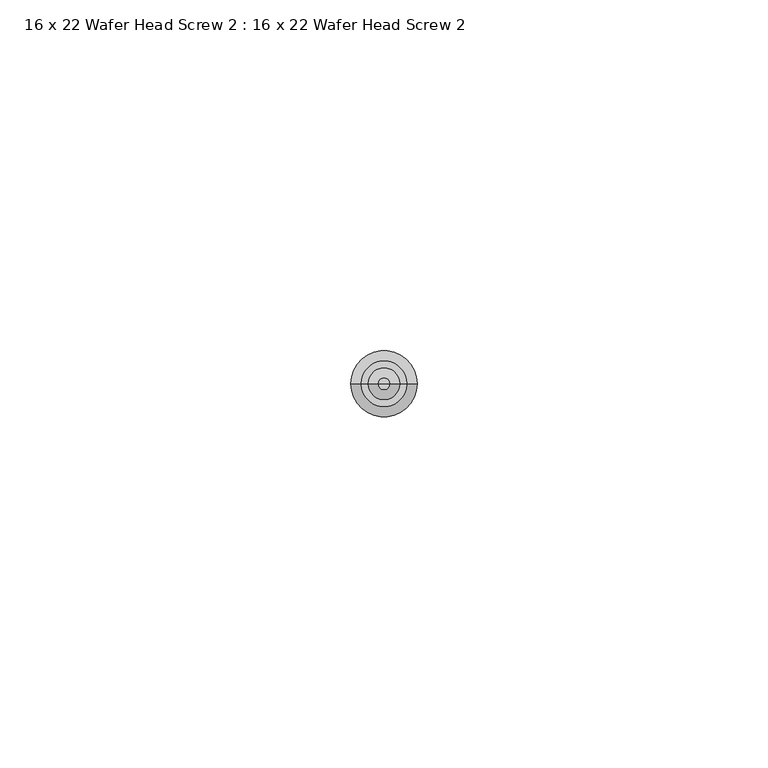
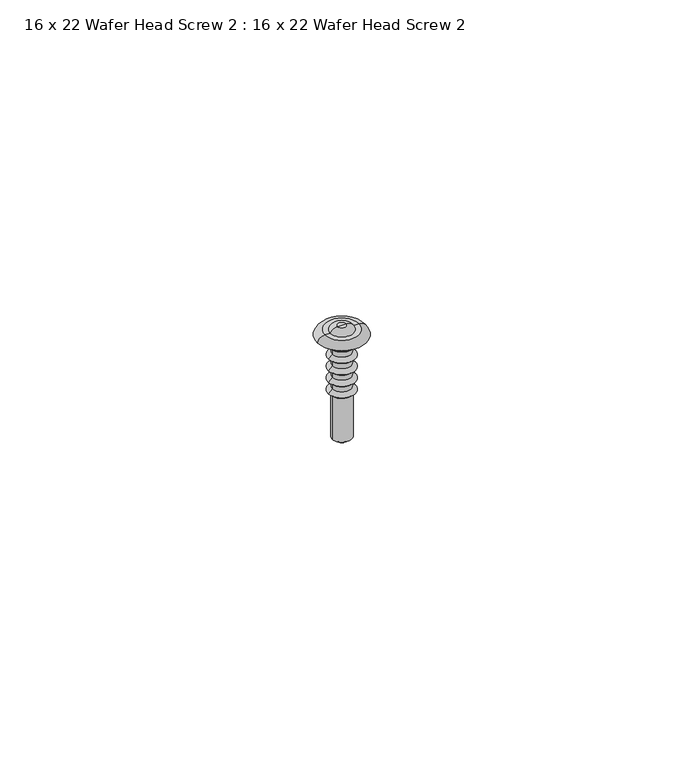
"""IFC4 building model written with IfcOpenShell, lengths in millimetres: proxy geometry, 16 x 22 Wafer Head Screw 2 : 16 x 22 Wafer Head Screw 2."""

from ifc_helpers import new_model, si_unit, point, frame, origin, place, context, project, spatial, polyline, circle_curve, ellipse_curve, trimmed, source, transform, mapped, element, save
from ifc_brep_helpers import plane_surface, cylinder_surface, revolved_surface, advanced_brep


def proxy_16_x_22_wafer_head_screw_2_16_x_22_wafer_head_screw_2_1d6bf214(model_context):
    return source(origin(), model_context, "Body", "AdvancedBrep", [
        advanced_brep(
        [(-1.8554352, 0.0, -11.6700547), (1.8554352, 0.0, -11.6700547), (1.8554352, 0.0, -20.4471271), (-1.8554352, 0.0, -20.4471271), (-2.5766059, 0.0, -11.0431506), (2.5766059, 0.0, -11.0431506), (-1.8554352, 0.0, -10.3219798), (1.8554352, 0.0, -10.3219798), (-1.8554352, 0.0, -9.3360438), (1.8554352, 0.0, -9.3360438), (-2.5766059, 0.0, -8.7091396), (2.5766059, 0.0, -8.7091396), (-1.8554352, 0.0, -7.9879689), (1.8554352, 0.0, -7.9879689), (-1.8554352, 0.0, -7.0020328), (1.8554352, 0.0, -7.0020328), (-2.5766059, 0.0, -6.3751287), (2.5766059, 0.0, -6.3751287), (-1.8554352, 0.0, -5.6539579), (1.8554352, 0.0, -5.6539579), (-1.8554352, 0.0, -4.6680219), (1.8554352, 0.0, -4.6680219), (-2.5766059, 0.0, -4.0411177), (2.5766059, 0.0, -4.0411177), (-1.8554352, 0.0, -3.319947), (1.8554352, 0.0, -3.319947), (-1.8554352, 0.0, -2.3340109), (1.8554352, 0.0, -2.3340109), (-2.5766059, 0.0, -1.7071068), (2.5766059, 0.0, -1.7071068), (-1.8694992, 0.0, -1.0), (1.8694992, 0.0, -1.0), (-1.8694992, 0.0, 0.0), (1.8694992, 0.0, 0.0), (-4.7066403, 0.0, 0.0), (4.7066403, 0.0, 0.0), (-3.2807188, 0.0, 1.0359925), (3.2807188, 0.0, 1.0359925), (-2.2807188, 0.0, 1.0359925), (2.2807188, 0.0, 1.0359925), (-0.8626721, 0.0, 1.8547022), (0.8626721, 0.0, 1.8547022), (0.0, 0.0, 1.8547022), (0.0, 0.0, -21.8452978)],
        [
            (0, 1, circle_curve(frame((0.0, 0.0, -11.6700547), z_axis=(0.0, 0.0, -1.0), x_axis=(1.0, 0.0, 0.0)), 1.8554352)),
            (1, 2),
            (2, 3, circle_curve(frame((0.0, 0.0, -20.4471271), z_axis=(0.0, 0.0, 1.0), x_axis=(1.0, 0.0, 0.0)), 1.8554352)),
            (3, 0),
            (1, 0, circle_curve(frame((0.0, 0.0, -11.6700547), z_axis=(0.0, 0.0, -1.0), x_axis=(1.0, 0.0, 0.0)), 1.8554352)),
            (3, 2, circle_curve(frame((0.0, 0.0, -20.4471271), z_axis=(0.0, 0.0, 1.0), x_axis=(1.0, 0.0, 0.0)), 1.8554352)),
            (4, 5, circle_curve(frame((0.0, 0.0, -11.0431506), z_axis=(0.0, 0.0, -1.0), x_axis=(1.0, 0.0, 0.0)), 2.5766059)),
            (5, 1),
            (0, 4),
            (5, 4, circle_curve(frame((0.0, 0.0, -11.0431506), z_axis=(0.0, 0.0, -1.0), x_axis=(1.0, 0.0, 0.0)), 2.5766059)),
            (6, 7, circle_curve(frame((0.0, 0.0, -10.3219798), z_axis=(0.0, 0.0, -1.0), x_axis=(1.0, 0.0, 0.0)), 1.8554352)),
            (7, 5),
            (4, 6),
            (7, 6, circle_curve(frame((0.0, 0.0, -10.3219798), z_axis=(0.0, 0.0, -1.0), x_axis=(1.0, 0.0, 0.0)), 1.8554352)),
            (8, 9, circle_curve(frame((0.0, 0.0, -9.3360438), z_axis=(0.0, 0.0, -1.0), x_axis=(1.0, 0.0, 0.0)), 1.8554352)),
            (9, 7),
            (6, 8),
            (9, 8, circle_curve(frame((0.0, 0.0, -9.3360438), z_axis=(0.0, 0.0, -1.0), x_axis=(1.0, 0.0, 0.0)), 1.8554352)),
            (10, 11, circle_curve(frame((0.0, 0.0, -8.7091396), z_axis=(0.0, 0.0, -1.0), x_axis=(1.0, 0.0, 0.0)), 2.5766059)),
            (11, 9),
            (8, 10),
            (11, 10, circle_curve(frame((0.0, 0.0, -8.7091396), z_axis=(0.0, 0.0, -1.0), x_axis=(1.0, 0.0, 0.0)), 2.5766059)),
            (12, 13, circle_curve(frame((0.0, 0.0, -7.9879689), z_axis=(0.0, 0.0, -1.0), x_axis=(1.0, 0.0, 0.0)), 1.8554352)),
            (13, 11),
            (10, 12),
            (13, 12, circle_curve(frame((0.0, 0.0, -7.9879689), z_axis=(0.0, 0.0, -1.0), x_axis=(1.0, 0.0, 0.0)), 1.8554352)),
            (14, 15, circle_curve(frame((0.0, 0.0, -7.0020328), z_axis=(0.0, 0.0, -1.0), x_axis=(1.0, 0.0, 0.0)), 1.8554352)),
            (15, 13),
            (12, 14),
            (15, 14, circle_curve(frame((0.0, 0.0, -7.0020328), z_axis=(0.0, 0.0, -1.0), x_axis=(1.0, 0.0, 0.0)), 1.8554352)),
            (16, 17, circle_curve(frame((0.0, 0.0, -6.3751287), z_axis=(0.0, 0.0, -1.0), x_axis=(1.0, 0.0, 0.0)), 2.5766059)),
            (17, 15),
            (14, 16),
            (17, 16, circle_curve(frame((0.0, 0.0, -6.3751287), z_axis=(0.0, 0.0, -1.0), x_axis=(1.0, 0.0, 0.0)), 2.5766059)),
            (18, 19, circle_curve(frame((0.0, 0.0, -5.6539579), z_axis=(0.0, 0.0, -1.0), x_axis=(1.0, 0.0, 0.0)), 1.8554352)),
            (19, 17),
            (16, 18),
            (19, 18, circle_curve(frame((0.0, 0.0, -5.6539579), z_axis=(0.0, 0.0, -1.0), x_axis=(1.0, 0.0, 0.0)), 1.8554352)),
            (20, 21, circle_curve(frame((0.0, 0.0, -4.6680219), z_axis=(0.0, 0.0, -1.0), x_axis=(1.0, 0.0, 0.0)), 1.8554352)),
            (21, 19),
            (18, 20),
            (21, 20, circle_curve(frame((0.0, 0.0, -4.6680219), z_axis=(0.0, 0.0, -1.0), x_axis=(1.0, 0.0, 0.0)), 1.8554352)),
            (22, 23, circle_curve(frame((0.0, 0.0, -4.0411177), z_axis=(0.0, 0.0, -1.0), x_axis=(1.0, 0.0, 0.0)), 2.5766059)),
            (23, 21),
            (20, 22),
            (23, 22, circle_curve(frame((0.0, 0.0, -4.0411177), z_axis=(0.0, 0.0, -1.0), x_axis=(1.0, 0.0, 0.0)), 2.5766059)),
            (24, 25, circle_curve(frame((0.0, 0.0, -3.319947), z_axis=(0.0, 0.0, -1.0), x_axis=(1.0, 0.0, 0.0)), 1.8554352)),
            (25, 23),
            (22, 24),
            (25, 24, circle_curve(frame((0.0, 0.0, -3.319947), z_axis=(0.0, 0.0, -1.0), x_axis=(1.0, 0.0, 0.0)), 1.8554352)),
            (26, 27, circle_curve(frame((0.0, 0.0, -2.3340109), z_axis=(0.0, 0.0, -1.0), x_axis=(1.0, 0.0, 0.0)), 1.8554352)),
            (27, 25),
            (24, 26),
            (27, 26, circle_curve(frame((0.0, 0.0, -2.3340109), z_axis=(0.0, 0.0, -1.0), x_axis=(1.0, 0.0, 0.0)), 1.8554352)),
            (28, 29, circle_curve(frame((0.0, 0.0, -1.7071068), z_axis=(0.0, 0.0, -1.0), x_axis=(1.0, 0.0, 0.0)), 2.5766059)),
            (29, 27),
            (26, 28),
            (29, 28, circle_curve(frame((0.0, 0.0, -1.7071068), z_axis=(0.0, 0.0, -1.0), x_axis=(1.0, 0.0, 0.0)), 2.5766059)),
            (30, 31, circle_curve(frame((0.0, 0.0, -1.0), z_axis=(0.0, 0.0, -1.0), x_axis=(1.0, 0.0, 0.0)), 1.8694992)),
            (31, 29),
            (28, 30),
            (31, 30, circle_curve(frame((0.0, 0.0, -1.0), z_axis=(0.0, 0.0, -1.0), x_axis=(1.0, 0.0, 0.0)), 1.8694992)),
            (32, 33, circle_curve(frame((0.0, 0.0, 0.0), z_axis=(0.0, 0.0, -1.0), x_axis=(1.0, 0.0, 0.0)), 1.8694992)),
            (33, 31),
            (30, 32),
            (33, 32, circle_curve(frame((0.0, 0.0, 0.0), z_axis=(0.0, 0.0, -1.0), x_axis=(1.0, 0.0, 0.0)), 1.8694992)),
            (34, 35, circle_curve(frame((0.0, 0.0, 0.0), z_axis=(0.0, 0.0, -1.0), x_axis=(1.0, 0.0, 0.0)), 4.7066403)),
            (35, 33),
            (32, 34),
            (35, 34, circle_curve(frame((0.0, 0.0, 0.0), z_axis=(0.0, 0.0, -1.0), x_axis=(1.0, 0.0, 0.0)), 4.7066403)),
            (36, 37, circle_curve(frame((0.0, 0.0, 1.0359925), z_axis=(0.0, 0.0, -1.0), x_axis=(1.0, 0.0, 0.0)), 3.2807188)),
            (37, 35, circle_curve(frame((3.3352308, 0.0, -0.3882807), z_axis=(0.0, 1.0, 0.0), x_axis=(0.0, 0.0, 1.0)), 1.425316)),
            (34, 36, circle_curve(frame((-3.3352308, 0.0, -0.3882807), z_axis=(0.0, 1.0, 0.0), x_axis=(0.0, 0.0, 1.0)), 1.425316)),
            (37, 36, circle_curve(frame((0.0, 0.0, 1.0359925), z_axis=(0.0, 0.0, -1.0), x_axis=(1.0, 0.0, 0.0)), 3.2807188)),
            (38, 39, circle_curve(frame((0.0, 0.0, 1.0359925), z_axis=(0.0, 0.0, -1.0), x_axis=(1.0, 0.0, 0.0)), 2.2807188)),
            (39, 37),
            (36, 38),
            (39, 38, circle_curve(frame((0.0, 0.0, 1.0359925), z_axis=(0.0, 0.0, -1.0), x_axis=(1.0, 0.0, 0.0)), 2.2807188)),
            (40, 41, circle_curve(frame((0.0, 0.0, 1.8547022), z_axis=(0.0, 0.0, -1.0), x_axis=(1.0, 0.0, 0.0)), 0.8626721)),
            (41, 39, circle_curve(frame((0.8939585, 0.0, 0.2714724), z_axis=(0.0, 1.0, 0.0), x_axis=(0.0, 0.0, 1.0)), 1.5835389)),
            (38, 40, circle_curve(frame((-0.8939585, 0.0, 0.2714724), z_axis=(0.0, 1.0, 0.0), x_axis=(0.0, 0.0, 1.0)), 1.5835389)),
            (41, 40, circle_curve(frame((0.0, 0.0, 1.8547022), z_axis=(0.0, 0.0, -1.0), x_axis=(1.0, 0.0, 0.0)), 0.8626721)),
            (42, 41),
            (40, 42),
            (2, 43),
            (43, 3),
        ],
        [
            cylinder_surface(frame((0.0, 0.0, -22.2103269), z_axis=(0.0, 0.0, 1.0), x_axis=(1.0, 0.0, 0.0)), 1.8554352),
            revolved_surface(polyline([(1.8554352, 0.0, -11.6700547), (2.5766059, 0.0, -11.0431506)]), (0.0, 0.0, -22.2103269), (0.0, 0.0, 1.0)),
            revolved_surface(polyline([(2.5766059, 0.0, -11.0431506), (1.8554352, 0.0, -10.3219798)]), (0.0, 0.0, -22.2103269), (0.0, 0.0, 1.0)),
            revolved_surface(polyline([(1.8554352, 0.0, -9.3360438), (2.5766059, 0.0, -8.7091396)]), (0.0, 0.0, -22.2103269), (0.0, 0.0, 1.0)),
            revolved_surface(polyline([(2.5766059, 0.0, -8.7091396), (1.8554352, 0.0, -7.9879689)]), (0.0, 0.0, -22.2103269), (0.0, 0.0, 1.0)),
            revolved_surface(polyline([(1.8554352, 0.0, -7.0020328), (2.5766059, 0.0, -6.3751287)]), (0.0, 0.0, -22.2103269), (0.0, 0.0, 1.0)),
            revolved_surface(polyline([(2.5766059, 0.0, -6.3751287), (1.8554352, 0.0, -5.6539579)]), (0.0, 0.0, -22.2103269), (0.0, 0.0, 1.0)),
            revolved_surface(polyline([(1.8554352, 0.0, -4.6680219), (2.5766059, 0.0, -4.0411177)]), (0.0, 0.0, -22.2103269), (0.0, 0.0, 1.0)),
            revolved_surface(polyline([(2.5766059, 0.0, -4.0411177), (1.8554352, 0.0, -3.319947)]), (0.0, 0.0, -22.2103269), (0.0, 0.0, 1.0)),
            revolved_surface(polyline([(1.8554352, 0.0, -2.3340109), (2.5766059, 0.0, -1.7071068)]), (0.0, 0.0, -22.2103269), (0.0, 0.0, 1.0)),
            revolved_surface(polyline([(2.5766059, 0.0, -1.7071068), (1.8694992, 0.0, -1.0)]), (0.0, 0.0, -22.2103269), (0.0, 0.0, 1.0)),
            cylinder_surface(frame((0.0, 0.0, -22.2103269), z_axis=(0.0, 0.0, 1.0), x_axis=(1.0, 0.0, 0.0)), 1.8694992),
            plane_surface(frame((0.0, 0.0, 0.0), z_axis=(0.0, 0.0, -1.0), x_axis=(1.0, 0.0, 0.0))),
            revolved_surface(trimmed(ellipse_curve(frame((3.3352308, 0.0, -0.3882807), z_axis=(0.0, -1.0, 0.0), x_axis=(0.0, 0.0, 1.0)), 1.425316, 1.425316), [point((4.7066403, 0.0, 0.0))], [point((3.2807188, 0.0, 1.0359925))], True, "CARTESIAN"), (0.0, 0.0, -22.2103269), (0.0, 0.0, 1.0)),
            plane_surface(frame((0.0, 0.0, 1.0359925), z_axis=(0.0, 0.0, 1.0), x_axis=(1.0, 0.0, 0.0))),
            revolved_surface(trimmed(ellipse_curve(frame((0.8939585, 0.0, 0.2714724), z_axis=(0.0, -1.0, 0.0), x_axis=(0.0, 0.0, 1.0)), 1.5835389, 1.5835389), [point((2.2807188, 0.0, 1.0359925))], [point((0.8626721, 0.0, 1.8547022))], True, "CARTESIAN"), (0.0, 0.0, -22.2103269), (0.0, 0.0, 1.0)),
            plane_surface(frame((0.0, 0.0, 1.8547022), z_axis=(0.0, 0.0, 1.0), x_axis=(1.0, 0.0, 0.0))),
            revolved_surface(polyline([(0.0, 0.0, -21.8452978), (1.8554352, 0.0, -20.4471271)]), (0.0, 0.0, -22.2103269), (0.0, 0.0, 1.0)),
        ],
        [
            (0, [[1, 2, 3, 4]]),
            (0, [[5, -4, 6, -2]]),
            (1, [[7, 8, -1, 9]]),
            (1, [[10, -9, -5, -8]]),
            (2, [[11, 12, -7, 13]]),
            (2, [[14, -13, -10, -12]]),
            (0, [[15, 16, -11, 17]]),
            (0, [[18, -17, -14, -16]]),
            (3, [[19, 20, -15, 21]]),
            (3, [[22, -21, -18, -20]]),
            (4, [[23, 24, -19, 25]]),
            (4, [[26, -25, -22, -24]]),
            (0, [[27, 28, -23, 29]]),
            (0, [[30, -29, -26, -28]]),
            (5, [[31, 32, -27, 33]]),
            (5, [[34, -33, -30, -32]]),
            (6, [[35, 36, -31, 37]]),
            (6, [[38, -37, -34, -36]]),
            (0, [[39, 40, -35, 41]]),
            (0, [[42, -41, -38, -40]]),
            (7, [[43, 44, -39, 45]]),
            (7, [[46, -45, -42, -44]]),
            (8, [[47, 48, -43, 49]]),
            (8, [[50, -49, -46, -48]]),
            (0, [[51, 52, -47, 53]]),
            (0, [[54, -53, -50, -52]]),
            (9, [[55, 56, -51, 57]]),
            (9, [[58, -57, -54, -56]]),
            (10, [[59, 60, -55, 61]]),
            (10, [[62, -61, -58, -60]]),
            (11, [[63, 64, -59, 65]]),
            (11, [[66, -65, -62, -64]]),
            (12, [[67, 68, -63, 69]]),
            (12, [[70, -69, -66, -68]]),
            (13, [[71, 72, -67, 73]]),
            (13, [[74, -73, -70, -72]]),
            (14, [[75, 76, -71, 77]]),
            (14, [[78, -77, -74, -76]]),
            (15, [[79, 80, -75, 81]]),
            (15, [[82, -81, -78, -80]]),
            (16, [[83, -79, 84]]),
            (16, [[-84, -82, -83]]),
            (17, [[-3, 85, 86]]),
            (17, [[-6, -86, -85]]),
        ],
    ),
    ])


if __name__ == "__main__":
    model = new_model("IFC4")
    model_context = context("Model", 3, world=origin())
    ifc_project = project(units=[si_unit("LENGTHUNIT", "METRE", prefix="MILLI")], contexts=[model_context])
    site = spatial("IfcSite", under=ifc_project)
    building = spatial("IfcBuilding", under=site)
    placement = place(None, origin())
    proxy_16_x_22_wafer_head_screw_2_16_x_22_wafer_head_screw_2_shape = proxy_16_x_22_wafer_head_screw_2_16_x_22_wafer_head_screw_2_1d6bf214(model_context)
    element("IfcBuildingElementProxy", 1, Name="16 x 22 Wafer Head Screw 2 : 16 x 22 Wafer Head Screw 2", ObjectType="16 x 22 Wafer Head Screw 2 : 16 x 22 Wafer Head Screw 2", at=placement, inside=building, context=model_context, shape_type="MappedRepresentation", body=[
        mapped(proxy_16_x_22_wafer_head_screw_2_16_x_22_wafer_head_screw_2_shape, transform((0.0, 0.0, 0.0), x_axis=(1.0, 0.0, 0.0), y_axis=(0.0, 1.0, 0.0), z_axis=(0.0, 0.0, 1.0))),
    ])
    save(model, "model.ifc")
